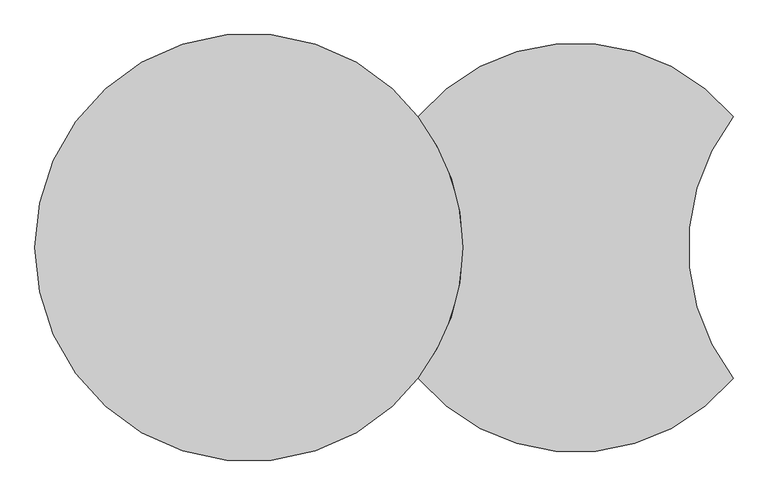
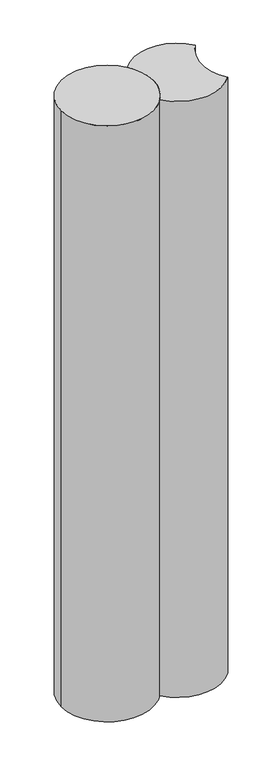
"""IFC4 building model written with IfcOpenShell, lengths in millimetres: proxy geometry."""

from ifc_helpers import new_model, si_unit, point, frame, frame_2d, origin, origin_2d, place, context, project, spatial, circle_curve, trimmed, segment, composite_curve, outline, extrude, source, transform, mapped, element, save


def generic_models_2d43b88b(model_context):
    return source(origin(), model_context, "Body", "SweptSolid", [
        extrude(outline(composite_curve([segment(trimmed(circle_curve(origin_2d(), 460.0), [point((363.8205128, -281.4864729))], [point((460.0, 0.0))], True, "CARTESIAN"), True, "CONTINUOUS"), segment(trimmed(circle_curve(origin_2d(), 460.0), [point((460.0, 0.0))], [point((363.8205128, 281.4864729))], True, "CARTESIAN"), True, "CONTINUOUS"), segment(trimmed(circle_curve(frame_2d((702.0, 0.0)), 440.0), [point((363.8205128, 281.4864729))], [point((1040.1794872, 281.4864729))], False, "CARTESIAN"), True, "CONTINUOUS"), segment(trimmed(circle_curve(frame_2d((1404.0, 0.0)), 460.0), [point((1040.1794872, 281.4864729))], [point((1040.1794872, -281.4864729))], True, "CARTESIAN"), True, "CONTINUOUS"), segment(trimmed(circle_curve(frame_2d((702.0, 0.0)), 440.0), [point((1040.1794872, -281.4864729))], [point((363.8205128, -281.4864729))], False, "CARTESIAN"), True, "CONTINUOUS")], self_intersect=False)), frame((0.0, 0.0, -6300.0), z_axis=(0.0, 0.0, 1.0), x_axis=(1.0, 0.0, 0.0)), (0.0, 0.0, 1.0), 6300.0),
        extrude(outline(composite_curve([segment(trimmed(circle_curve(origin_2d(), 460.0), [point((-460.0, 0.0))], [point((460.0, 0.0))], False, "CARTESIAN"), True, "CONTINUOUS"), segment(trimmed(circle_curve(origin_2d(), 460.0), [point((460.0, 0.0))], [point((-460.0, 0.0))], False, "CARTESIAN"), True, "CONTINUOUS")], self_intersect=False)), frame((0.0, 0.0, -6300.0), z_axis=(0.0, 0.0, 1.0), x_axis=(1.0, 0.0, 0.0)), (0.0, 0.0, 1.0), 6300.0),
    ])


if __name__ == "__main__":
    model = new_model("IFC4")
    model_context = context("Model", 3, world=origin())
    ifc_project = project(units=[si_unit("LENGTHUNIT", "METRE", prefix="MILLI")], contexts=[model_context])
    site = spatial("IfcSite", under=ifc_project)
    building = spatial("IfcBuilding", under=site)
    placement = place(None, origin())
    generic_models_shape = generic_models_2d43b88b(model_context)
    element("IfcBuildingElementProxy", 1, Name="Generic Models", at=placement, inside=building, context=model_context, shape_type="MappedRepresentation", body=[
        mapped(generic_models_shape, transform((0.0, 0.0, 0.0), x_axis=(1.0, 0.0, 0.0), y_axis=(0.0, 1.0, 0.0), z_axis=(0.0, 0.0, 1.0))),
    ])
    save(model, "model.ifc")
